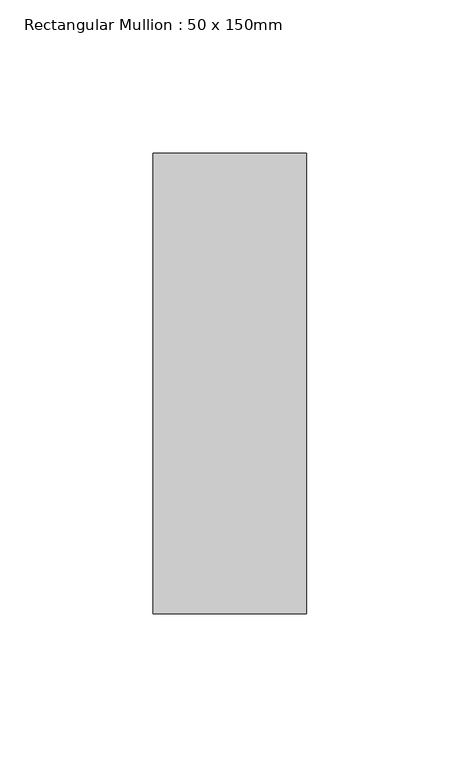
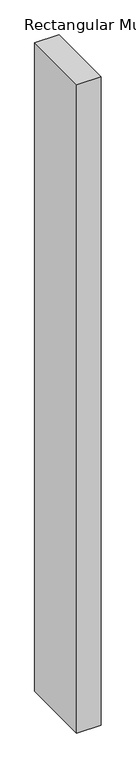
"""IFC4 building model written with IfcOpenShell, lengths in millimetres: member geometry, Rectangular Mullion : 50 x 150mm."""

from ifc_helpers import new_model, si_unit, frame, origin, place, context, project, spatial, polyline, outline, extrude, source, transform, mapped, element, save


def rectangular_mullion_50_x_150mm_c8002cd6(model_context):
    return source(origin(), model_context, "Body", "SweptSolid", [
        extrude(outline(polyline([(25.0, 75.0), (25.0, -75.0), (-25.0, -75.0), (-25.0, 75.0), (25.0, 75.0)])), frame((0.0, 0.0, -1411.8421053), z_axis=(0.0, 0.0, 1.0), x_axis=(1.0, 0.0, 0.0)), (0.0, 0.0, 1.0), 1411.8421053),
    ])


if __name__ == "__main__":
    model = new_model("IFC4")
    model_context = context("Model", 3, world=origin())
    ifc_project = project(units=[si_unit("LENGTHUNIT", "METRE", prefix="MILLI")], contexts=[model_context])
    site = spatial("IfcSite", under=ifc_project)
    building = spatial("IfcBuilding", under=site)
    placement = place(None, origin())
    rectangular_mullion_50_x_150mm_shape = rectangular_mullion_50_x_150mm_c8002cd6(model_context)
    element("IfcMember", 1, ObjectType="Rectangular Mullion : 50 x 150mm", at=placement, inside=building, context=model_context, shape_type="MappedRepresentation", body=[
        mapped(rectangular_mullion_50_x_150mm_shape, transform((0.0, 0.0, 0.0), x_axis=(1.0, 0.0, 0.0), y_axis=(0.0, 1.0, 0.0), z_axis=(0.0, 0.0, 1.0))),
    ])
    save(model, "model.ifc")
